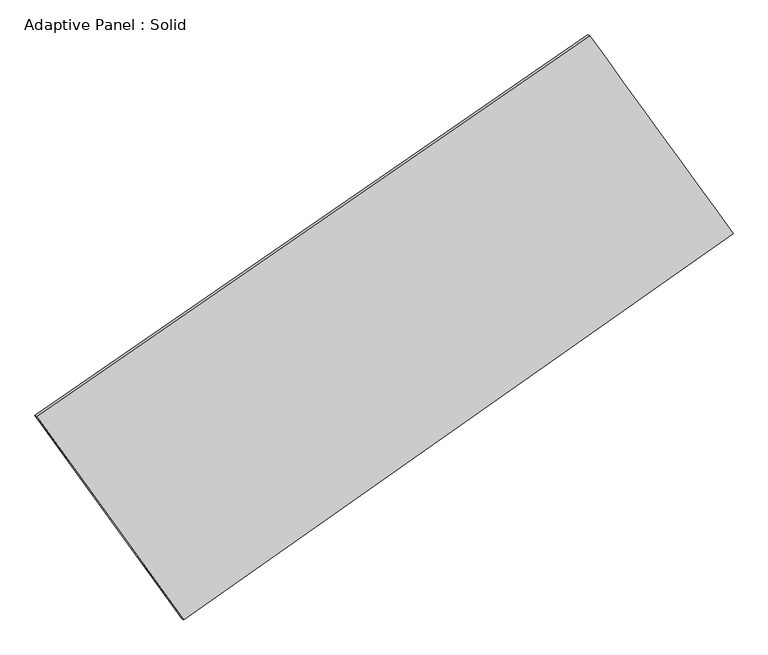
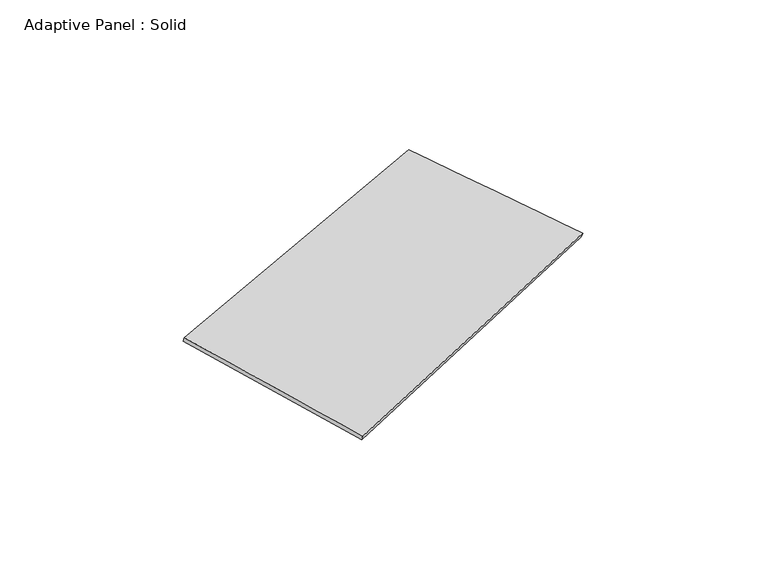
"""IFC4 building model written with IfcOpenShell, lengths in millimetres: plate geometry, Adaptive Panel : Solid."""

from ifc_helpers import new_model, si_unit, frame, origin, place, context, project, spatial, source, transform, mapped, element, save
from ifc_brep_helpers import plane_surface, spline_surface, advanced_brep


def adaptive_panel_solid_3d594f21(model_context):
    return source(origin(), model_context, "Body", "AdvancedBrep", [
        advanced_brep(
        [(1127.0453647, 2437.1838839, 620.2932803), (-3696.5312861, -885.1736091, 1748.7744133), (-3681.8649303, -891.5537025, 1796.1473213), (1141.7117205, 2430.8037904, 667.6661883), (-2412.5529823, -2663.208504, 1031.0522636), (-2397.8866265, -2669.5885974, 1078.4251716), (2378.7483256, 710.9496563, 85.002563), (2393.4146814, 704.5695628, 132.375471)],
        [
            (0, 1),
            (1, 2),
            (2, 3),
            (3, 0),
            (1, 4),
            (4, 5),
            (5, 2),
            (4, 6),
            (6, 7),
            (7, 5),
            (6, 0),
            (3, 7),
        ],
        [
            plane_surface(frame((-1284.7429607, 776.0051374, 1184.5338468), z_axis=(-0.5036337404729747, 0.8217545779421139, 0.26659420302845743), x_axis=(-0.8086784150602724, -0.5569972213937776, 0.18919121643252051))),
            plane_surface(frame((-3054.5421342, -1774.1910565, 1389.9133385), z_axis=(-0.7701308743725197, -0.6187434951579739, 0.15509649750369223), x_axis=(0.5564068103527727, -0.7705042379921211, -0.3110219938030664))),
            plane_surface(frame((-16.9023284, -976.1294238, 558.0274133), z_axis=(0.5182625675096486, -0.8115653673005546, -0.26975093274467654), x_axis=(0.8071550498060908, 0.5684194382532967, -0.15937398717586876))),
            plane_surface(frame((1752.8968451, 1574.0667701, 352.6479216), z_axis=(0.7755353610809902, 0.6112704734657143, -0.15777614516136318), x_axis=(-0.5693571081192282, 0.7852052431771077, 0.24348554273567977))),
            spline_surface(1, 1, [[(-3681.8649303, -891.5537025, 1796.1473213), (1141.7117205, 2430.8037904, 667.6661883)], [(-2397.8866265, -2669.5885974, 1078.4251716), (2393.4146814, 704.5695628, 132.375471)]], [2, 2], [2, 2], [0.0, 1.0], [0.0, 1.0]),
            spline_surface(1, 1, [[(2378.7483256, 710.9496563, 85.002563), (1127.0453647, 2437.1838839, 620.2932803)], [(-2412.5529823, -2663.208504, 1031.0522636), (-3696.5312861, -885.1736091, 1748.7744133)]], [2, 2], [2, 2], [0.0, 1.0], [0.0, 1.0]),
        ],
        [
            (0, [[1, 2, 3, 4]]),
            (1, [[5, 6, 7, -2]]),
            (2, [[8, 9, 10, -6]]),
            (3, [[11, -4, 12, -9]]),
            (4, [[-3, -7, -10, -12]]),
            (5, [[-11, -8, -5, -1]]),
        ],
    ),
    ])


if __name__ == "__main__":
    model = new_model("IFC4")
    model_context = context("Model", 3, world=origin())
    ifc_project = project(units=[si_unit("LENGTHUNIT", "METRE", prefix="MILLI")], contexts=[model_context])
    site = spatial("IfcSite", under=ifc_project)
    building = spatial("IfcBuilding", under=site)
    placement = place(None, origin())
    adaptive_panel_solid_shape = adaptive_panel_solid_3d594f21(model_context)
    element("IfcPlate", 1, ObjectType="Adaptive Panel : Solid", at=placement, inside=building, context=model_context, shape_type="MappedRepresentation", body=[
        mapped(adaptive_panel_solid_shape, transform((0.0, 0.0, 0.0), x_axis=(1.0, 0.0, 0.0), y_axis=(0.0, 1.0, 0.0), z_axis=(0.0, 0.0, 1.0))),
    ])
    save(model, "model.ifc")
